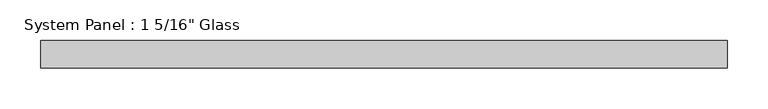
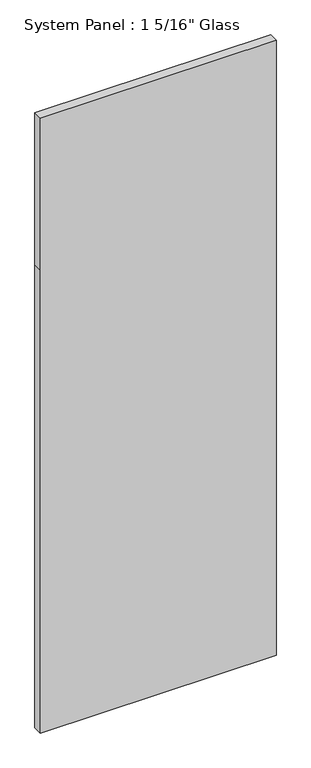
"""IFC4 building model written with IfcOpenShell, lengths in millimetres: plate geometry."""

import ifcopenshell
import ifcopenshell.guid

model = None  # the IFC model being written
_history = None  # IfcOwnerHistory: only IFC2X3 demands one
_inside = {}  # id of a spatial element -> (the spatial element, [elements in it])
_under = {}  # id of a project, library or spatial element -> (it, [spatial elements below it])
_declared = {}  # id of a project -> (the project, [libraries it declares])
_typed = {}  # id of a type object -> (the type object, [elements of that type])
_made_of = {}  # id of a material, layer set ... -> (it, [elements and type objects made of it])


def new_model(schema):
    """Start an empty IFC model of exactly this schema.

    Asked for "IFC4X3", IfcOpenShell would pick the latest addendum, in which some entities
    have other attributes; the version numbers below select the first issue.
    IFC2X3 requires an IfcOwnerHistory on every rooted entity: one is made here for all.
    """
    global model, _history
    if schema == "IFC4X3":
        model = ifcopenshell.file(schema_version=(4, 3, 0, 0))
    else:
        model = ifcopenshell.file(schema=schema)
    _inside.clear()
    _under.clear()
    _declared.clear()
    _typed.clear()
    _made_of.clear()
    _history = None
    if model.schema == "IFC2X3":
        org = make("IfcOrganization", Name="unknown")
        user = make(
            "IfcPersonAndOrganization",
            ThePerson=make("IfcPerson", FamilyName="unknown"),
            TheOrganization=org,
        )
        app = make(
            "IfcApplication",
            ApplicationDeveloper=org,
            Version="unknown",
            ApplicationFullName="unknown",
            ApplicationIdentifier="unknown",
        )
        _history = make(
            "IfcOwnerHistory",
            OwningUser=user,
            OwningApplication=app,
            ChangeAction="ADDED",
            CreationDate=0,
        )
    return model


def make(cls, **values):
    """One entity of the class cls with the attributes given. An attribute that is None is left unset."""
    return model.create_entity(
        cls, **{name: value for name, value in values.items() if value is not None}
    )


def rooted(cls, **values):
    """An entity with a GlobalId (a new one), such as an element, a storey or a relation."""
    return make(cls, GlobalId=ifcopenshell.guid.new(), OwnerHistory=_history, **values)


def si_unit(unit_type, name, prefix=None):
    """IfcSIUnit, for example si_unit("LENGTHUNIT", "METRE", prefix="MILLI")."""
    return make("IfcSIUnit", UnitType=unit_type, Prefix=prefix, Name=name)


def assignment(units):
    """IfcUnitAssignment: the units of a project."""
    return None if units is None else make("IfcUnitAssignment", Units=units)


def point(xyz):
    """IfcCartesianPoint."""
    return None if xyz is None else make("IfcCartesianPoint", Coordinates=xyz)


def direction(xyz):
    """IfcDirection."""
    return None if xyz is None else make("IfcDirection", DirectionRatios=xyz)


def frame(location, z_axis=None, x_axis=None):
    """IfcAxis2Placement3D, a coordinate frame: its origin and axes. An axis left out is left unset."""
    return make(
        "IfcAxis2Placement3D",
        Location=point(location),
        Axis=direction(z_axis),
        RefDirection=direction(x_axis),
    )


def origin():
    """The frame at (0, 0, 0) with its axes left unset."""
    return frame((0.0, 0.0, 0.0))


def place(relative_to, where):
    """IfcLocalPlacement: puts the frame where relative to a parent placement (None: the world)."""
    return make(
        "IfcLocalPlacement", PlacementRelTo=relative_to, RelativePlacement=where
    )


def context(
    kind, dimensions, precision=None, world=None, true_north=None, identifier=None
):
    """IfcGeometricRepresentationContext, for example the 3D "Model" context."""
    return make(
        "IfcGeometricRepresentationContext",
        ContextIdentifier=identifier,
        ContextType=kind,
        CoordinateSpaceDimension=dimensions,
        Precision=precision,
        WorldCoordinateSystem=world,
        TrueNorth=true_north,
    )


def project(units=None, contexts=None):
    """IfcProject with its units and contexts."""
    return rooted(
        "IfcProject",
        Name="project",
        RepresentationContexts=contexts,
        UnitsInContext=assignment(units),
    )


def spatial(cls, under=None, at=None, **own):
    """A site, building, storey or space (cls), placed at a placement, below another one or the project."""
    s = rooted(cls, ObjectPlacement=at, **own)
    if under is not None:
        _under.setdefault(under.id(), (under, []))[1].append(s)
    return s


def polyline(points):
    """IfcPolyline through the points."""
    return make("IfcPolyline", Points=[point(p) for p in points])


def outline(outer, holes=None, kind="AREA"):
    """IfcArbitraryClosedProfileDef: a profile drawn as a closed curve; with holes, ...WithVoids."""
    if holes is None:
        return make("IfcArbitraryClosedProfileDef", ProfileType=kind, OuterCurve=outer)
    return make(
        "IfcArbitraryProfileDefWithVoids",
        ProfileType=kind,
        OuterCurve=outer,
        InnerCurves=holes,
    )


def extrude(swept, where, along, depth):
    """IfcExtrudedAreaSolid: the profile swept, set in the frame where, extruded along a direction by depth."""
    return make(
        "IfcExtrudedAreaSolid",
        SweptArea=swept,
        Position=where,
        ExtrudedDirection=direction(along),
        Depth=depth,
    )


def shape(context_of_items, identifier, shape_type, items):
    """IfcShapeRepresentation: the items that make up one representation, for example the "Body"."""
    return make(
        "IfcShapeRepresentation",
        ContextOfItems=context_of_items,
        RepresentationIdentifier=identifier,
        RepresentationType=shape_type,
        Items=items,
    )


def source(mapping_origin, context_of_items, identifier, shape_type, items):
    """IfcRepresentationMap: a shape defined once, which mapped items show again and again."""
    return make(
        "IfcRepresentationMap",
        MappingOrigin=mapping_origin,
        MappedRepresentation=shape(context_of_items, identifier, shape_type, items),
    )


def transform(
    local_origin,
    x_axis=None,
    y_axis=None,
    z_axis=None,
    scale=None,
    scale2=None,
    scale3=None,
    uniform=True,
):
    """IfcCartesianTransformationOperator3D, or its non-uniform kind. x_axis, y_axis, z_axis: its Axis1, 2, 3."""
    if uniform:
        return make(
            "IfcCartesianTransformationOperator3D",
            Axis1=direction(x_axis),
            Axis2=direction(y_axis),
            LocalOrigin=point(local_origin),
            Scale=scale,
            Axis3=direction(z_axis),
        )
    return make(
        "IfcCartesianTransformationOperator3DnonUniform",
        Axis1=direction(x_axis),
        Axis2=direction(y_axis),
        LocalOrigin=point(local_origin),
        Scale=scale,
        Axis3=direction(z_axis),
        Scale2=scale2,
        Scale3=scale3,
    )


def mapped(mapping_source, mapping_target):
    """IfcMappedItem: shows the shape of a source again, moved by a transform."""
    return make(
        "IfcMappedItem", MappingSource=mapping_source, MappingTarget=mapping_target
    )


def made_of(thing, what):
    """Note that an element or type object is made of a material, layer set ...; save() writes the relation."""
    if what is not None:
        _made_of.setdefault(what.id(), (what, []))[1].append(thing)
    return thing


def element(
    cls,
    number,
    at=None,
    inside=None,
    cuts=None,
    type_object=None,
    material=None,
    context=None,
    identifier="Body",
    shape_type=None,
    held_by="IfcProductDefinitionShape",
    body=None,
    shapes=None,
    **own,
):
    """One element of the class cls, such as IfcWall. Its Tag is "e" and its number.

    at: its placement. inside: the storey or other place that contains it. cuts: it is an
    opening in that element (IfcRelVoidsElement). A single representation is given by context,
    identifier, shape_type and body (its items); several are given by shapes. held_by: the class
    of the entity that holds the representations. save() writes the other relations.
    """
    e = rooted(cls, Tag="e%d" % number, ObjectPlacement=at, **own)
    if body is not None:
        shapes = [shape(context, identifier, shape_type, body)]
    if shapes is not None:
        e.Representation = make(held_by, Representations=shapes)
    if inside is not None:
        _inside.setdefault(inside.id(), (inside, []))[1].append(e)
    if cuts is not None:
        rooted(
            "IfcRelVoidsElement", RelatingBuildingElement=cuts, RelatedOpeningElement=e
        )
    if type_object is not None:
        _typed.setdefault(type_object.id(), (type_object, []))[1].append(e)
    return made_of(e, material)


def aggregate(whole, parts):
    """IfcRelAggregates: a whole, such as a stair, and the parts it consists of."""
    return rooted("IfcRelAggregates", RelatingObject=whole, RelatedObjects=parts)


def save(model, path):
    """Write the relations noted so far, then the file.

    IfcRelAggregates (storeys below a building ...), IfcRelContainedInSpatialStructure (elements
    in a storey), IfcRelDefinesByType, IfcRelAssociatesMaterial and IfcRelDeclares: one each for
    every whole, place, type object, material and project.
    """
    for whole, parts in _under.values():
        aggregate(whole, parts)
    for where, things in _inside.values():
        rooted(
            "IfcRelContainedInSpatialStructure",
            RelatedElements=things,
            RelatingStructure=where,
        )
    for kind, things in _typed.values():
        rooted("IfcRelDefinesByType", RelatedObjects=things, RelatingType=kind)
    for what, things in _made_of.values():
        rooted("IfcRelAssociatesMaterial", RelatedObjects=things, RelatingMaterial=what)
    for by, libraries in _declared.values():
        rooted("IfcRelDeclares", RelatingContext=by, RelatedDefinitions=libraries)
    model.write(path)


def plate_382da087(model_context):
    return source(origin(), model_context, "Body", "SweptSolid", [
        extrude(outline(polyline([(0.0, -419.1), (0.0, 419.1), (1739.9, 419.1), (2311.4, 419.1), (2311.4, -419.1), (1739.9, -419.1), (0.0, -419.1)])), frame((0.0, -16.66875, 0.0), z_axis=(0.0, 1.0, 0.0), x_axis=(0.0, 0.0, 1.0)), (0.0, 0.0, 1.0), 33.3375),
    ])


if __name__ == "__main__":
    model = new_model("IFC4")
    model_context = context("Model", 3, world=origin())
    ifc_project = project(units=[si_unit("LENGTHUNIT", "METRE", prefix="MILLI")], contexts=[model_context])
    site = spatial("IfcSite", under=ifc_project)
    building = spatial("IfcBuilding", under=site)
    placement = place(None, origin())
    plate_shape = plate_382da087(model_context)
    element("IfcPlate", 1, ObjectType="System Panel : 1 5/16\" Glass", at=placement, inside=building, context=model_context, shape_type="MappedRepresentation", body=[
        mapped(plate_shape, transform((0.0, 0.0, 0.0), x_axis=(1.0, 0.0, 0.0), y_axis=(0.0, 1.0, 0.0), z_axis=(0.0, 0.0, 1.0))),
    ])
    save(model, "model.ifc")
